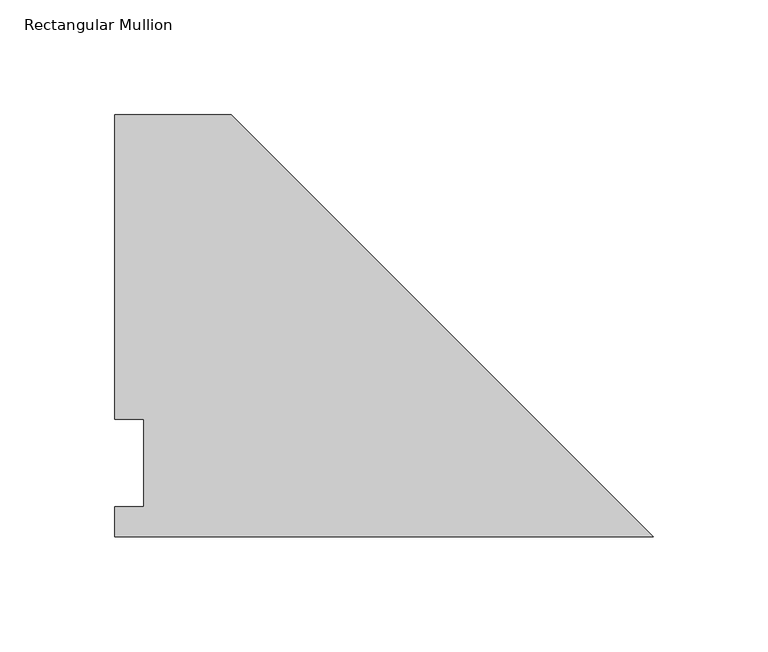
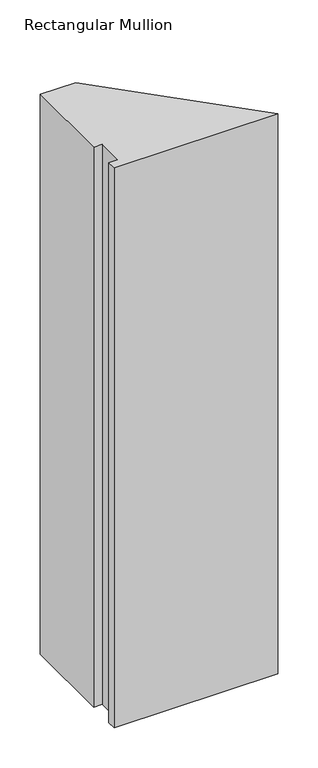
"""IFC4 building model written with IfcOpenShell, lengths in millimetres: member geometry, Rectangular Mullion."""

from ifc_helpers import new_model, si_unit, frame, origin, place, context, project, spatial, polyline, outline, extrude, source, transform, mapped, element, save


def rectangular_mullion_d163f650(model_context):
    return source(origin(), model_context, "Body", "SweptSolid", [
        extrude(outline(polyline([(-184.2262, 184.2396938), (0.0, 0.0134937), (-235.0262, 0.0134937), (-235.0262, 13.1960938), (-222.3262, 13.1960938), (-222.3262, 51.2960938), (-235.0262, 51.2960938), (-235.0262, 184.2396938), (-184.2262, 184.2396938)])), frame((0.0, 0.0, -850.9), z_axis=(0.0, 0.0, 1.0), x_axis=(1.0, 0.0, 0.0)), (0.0, 0.0, 1.0), 850.9),
    ])


if __name__ == "__main__":
    model = new_model("IFC4")
    model_context = context("Model", 3, world=origin())
    ifc_project = project(units=[si_unit("LENGTHUNIT", "METRE", prefix="MILLI")], contexts=[model_context])
    site = spatial("IfcSite", under=ifc_project)
    building = spatial("IfcBuilding", under=site)
    placement = place(None, origin())
    rectangular_mullion_shape = rectangular_mullion_d163f650(model_context)
    element("IfcMember", 1, ObjectType="Rectangular Mullion", at=placement, inside=building, context=model_context, shape_type="MappedRepresentation", body=[
        mapped(rectangular_mullion_shape, transform((0.0, 0.0, 0.0), x_axis=(1.0, 0.0, 0.0), y_axis=(0.0, 1.0, 0.0), z_axis=(0.0, 0.0, 1.0))),
    ])
    save(model, "model.ifc")
